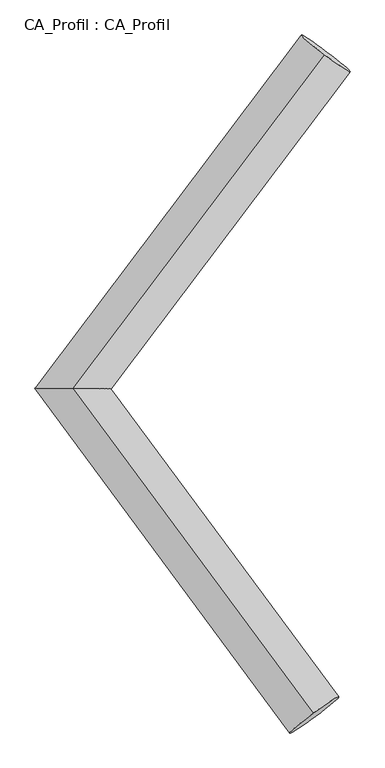
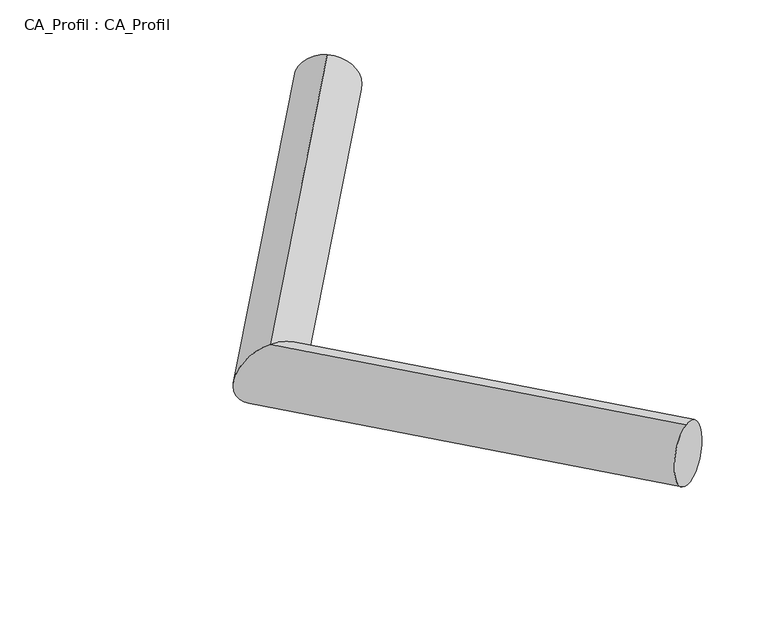
"""IFC4 building model written with IfcOpenShell, lengths in millimetres: plate geometry, CA_Profil : CA_Profil."""

from ifc_helpers import new_model, si_unit, frame, origin, place, context, project, spatial, circle_curve, ellipse_curve, source, transform, mapped, element, save
from ifc_brep_helpers import plane_surface, cylinder_surface, advanced_brep


def ca_profil_ca_profil_a0e1e210(model_context):
    return source(origin(), model_context, "Body", "AdvancedBrep", [
        advanced_brep(
        [(6153.8243564, 8848.2000542, -148.8853771), (6132.8945058, 8826.8449527, 350.219723), (4077.9136278, 6095.4291202, -353.7203994), (4073.9490373, 6096.5708798, 147.0587031), (6060.1979759, 3412.3498425, -143.5074446), (6039.4937659, 3436.1491618, 355.4964913)],
        [
            (0, 1, circle_curve(frame((6143.3594311, 8837.5225034, 100.667173), z_axis=(0.6010417518601854, 0.7970141691359245, 0.05930621145724681), x_axis=(-0.041859701345477195, -0.04271020303811751, 0.9982102002883512)), 250.0)),
            (1, 0, circle_curve(frame((6143.3594311, 8837.5225034, 100.667173), z_axis=(0.6010417518601854, 0.7970141691359245, 0.05930621145724681), x_axis=(-0.041859701345477195, -0.04271020303811751, 0.9982102002883512)), 250.0)),
            (0, 2),
            (2, 3, ellipse_curve(frame((4075.9313325, 6096.0, -103.3308482), z_axis=(0.00499701513942664, 0.9999850051750347, -0.0022403715722953198), x_axis=(0.9947934153371903, -0.004742995477413674, 0.10180159525110544)), 312.5497091, 250.0)),
            (3, 1),
            (3, 2, ellipse_curve(frame((4075.9313325, 6096.0, -103.3308482), z_axis=(0.00499701513942664, 0.9999850051750347, -0.0022403715722953198), x_axis=(0.9947934153371903, -0.004742995477413674, 0.10180159525110544)), 312.5497091, 250.0)),
            (4, 5, circle_curve(frame((6049.8458709, 3424.2495021, 105.9945233), z_axis=(0.593047799229232, -0.8027073726223233, 0.06289023586480909), x_axis=(-0.04140841992958659, 0.0475986386230136, 0.9980078718928879)), 250.0)),
            (5, 4, circle_curve(frame((6049.8458709, 3424.2495021, 105.9945233), z_axis=(0.593047799229232, -0.8027073726223233, 0.06289023586480909), x_axis=(-0.04140841992958659, 0.0475986386230136, 0.9980078718928879)), 250.0)),
            (2, 4),
            (5, 3),
        ],
        [
            plane_surface(frame((6143.3594311, 8856.0738371, -148.6435729), z_axis=(0.6010417518601854, 0.7970141691359244, 0.05930621145724667), x_axis=(0.7992176252566252, -0.5993846698776554, -0.04460050442332105))),
            cylinder_surface(frame((6143.3594311, 8837.5225034, 100.667173), z_axis=(0.6010417518601853, 0.7970141691359243, 0.059306211457246794), x_axis=(-0.041859701345477195, -0.04271020303811751, 0.9982102002883512)), 250.0),
            plane_surface(frame((6049.8458709, 3404.7224301, -143.2416968), z_axis=(0.593047799229233, -0.8027073726223225, 0.06289023586480873), x_axis=(0.8051672545684924, 0.5912359675057465, -0.04632194834180214))),
            cylinder_surface(frame((4075.9313325, 6096.0, -103.3308482), z_axis=(-0.593047799229232, 0.8027073726223233, -0.06289023586480909), x_axis=(-0.04140841992958659, 0.0475986386230136, 0.9980078718928879)), 250.0),
        ],
        [
            (0, [[1, 2]]),
            (1, [[-1, 3, 4, 5]]),
            (1, [[-2, -5, 6, -3]]),
            (2, [[7, 8]]),
            (3, [[-4, 9, -8, 10]]),
            (3, [[-6, -10, -7, -9]]),
        ],
    ),
    ])


if __name__ == "__main__":
    model = new_model("IFC4")
    model_context = context("Model", 3, world=origin())
    ifc_project = project(units=[si_unit("LENGTHUNIT", "METRE", prefix="MILLI")], contexts=[model_context])
    site = spatial("IfcSite", under=ifc_project)
    building = spatial("IfcBuilding", under=site)
    placement = place(None, origin())
    ca_profil_ca_profil_shape = ca_profil_ca_profil_a0e1e210(model_context)
    element("IfcPlate", 1, ObjectType="CA_Profil : CA_Profil", at=placement, inside=building, context=model_context, shape_type="MappedRepresentation", body=[
        mapped(ca_profil_ca_profil_shape, transform((0.0, 0.0, 0.0), x_axis=(1.0, 0.0, 0.0), y_axis=(0.0, 1.0, 0.0), z_axis=(0.0, 0.0, 1.0))),
    ])
    save(model, "model.ifc")
